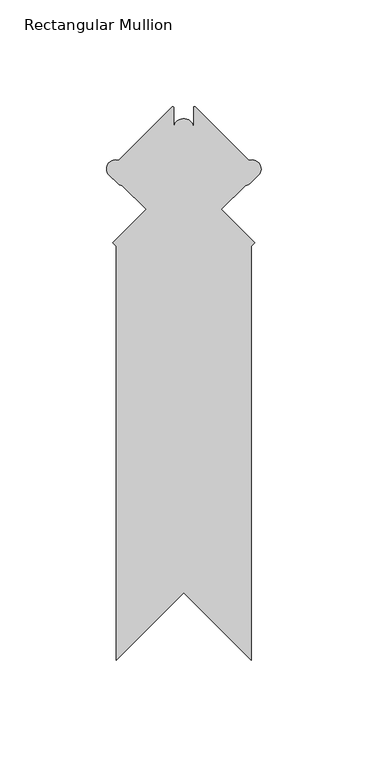
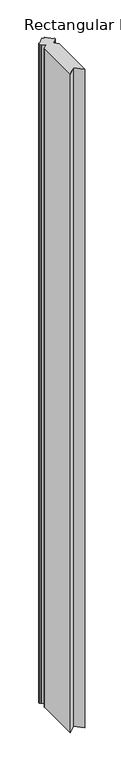
"""IFC4 building model written with IfcOpenShell, lengths in millimetres: member geometry, Rectangular Mullion."""

from ifc_helpers import new_model, si_unit, point, frame, frame_2d, origin, place, context, project, spatial, polyline, circle_curve, trimmed, segment, composite_curve, outline, extrude, source, transform, mapped, element, save


def rectangular_mullion_bcff4df4(model_context):
    return source(origin(), model_context, "Body", "SweptSolid", [
        extrude(outline(composite_curve([segment(polyline([(-68.018975, -94.2668695), (-68.018975, 100.065873), (-69.6354211, 101.6823191), (-53.9199729, 117.3977673), (-65.154897, 128.6326913)]), True, "CONTINUOUS"), segment(trimmed(circle_curve(frame_2d((-64.739074, 132.8417187)), 4.2295178), [point((-65.154897, 128.6326913))], [point((-67.1372768, 129.3578353))], False, "CARTESIAN"), True, "CONTINUOUS"), segment(polyline([(-67.1372768, 129.3578353), (-71.7923158, 134.0128743)]), True, "CONTINUOUS"), segment(trimmed(circle_curve(frame_2d((-68.3084323, 136.411077)), 4.2295178), [point((-71.7923158, 134.0128743))], [point((-66.8555427, 140.3832216))], False, "CARTESIAN"), True, "CONTINUOUS"), segment(polyline([(-66.8555427, 140.3832216), (-41.6818827, 165.5568816)]), True, "CONTINUOUS"), segment(trimmed(circle_curve(frame_2d((-41.412475, 165.2874739)), 0.381), [point((-41.6818827, 165.5568816))], [point((-41.031475, 165.2874739))], False, "CARTESIAN"), True, "CONTINUOUS"), segment(polyline([(-41.031475, 165.2874739), (-41.031475, 155.8165932)]), True, "CONTINUOUS"), segment(trimmed(circle_curve(frame_2d((-36.3047631, 155.2644752)), 4.7588485), [point((-41.031475, 155.8165932))], [point((-31.5560844, 155.5754248))], False, "CARTESIAN"), True, "CONTINUOUS"), segment(polyline([(-31.5560844, 155.5754248), (-31.5560844, 165.3370833)]), True, "CONTINUOUS"), segment(trimmed(circle_curve(frame_2d((-31.1750844, 165.3370833)), 0.381), [point((-31.5560844, 165.3370833))], [point((-30.9056767, 165.606491))], False, "CARTESIAN"), True, "CONTINUOUS"), segment(polyline([(-30.9056767, 165.606491), (-5.6824073, 140.3832216)]), True, "CONTINUOUS"), segment(trimmed(circle_curve(frame_2d((-4.2295178, 136.411077)), 4.2295178), [point((-5.6824073, 140.3832216))], [point((-0.7456343, 134.0128743))], False, "CARTESIAN"), True, "CONTINUOUS"), segment(polyline([(-0.7456343, 134.0128743), (-5.4006733, 129.3578353)]), True, "CONTINUOUS"), segment(trimmed(circle_curve(frame_2d((-7.7988761, 132.8417187)), 4.2295178), [point((-5.4006733, 129.3578353))], [point((-7.3830531, 128.6326913))], False, "CARTESIAN"), True, "CONTINUOUS"), segment(polyline([(-7.3830531, 128.6326913), (-18.6179771, 117.3977673), (-2.9025289, 101.6823191), (-4.518975, 100.065873), (-4.518975, -94.2668693), (-36.2689749, -62.5168694), (-68.018975, -94.2668695)]), True, "CONTINUOUS")], self_intersect=False)), frame((0.0, 0.0, -3048.0), z_axis=(0.0, 0.0, 1.0), x_axis=(1.0, 0.0, 0.0)), (0.0, 0.0, 1.0), 3048.0),
    ])


if __name__ == "__main__":
    model = new_model("IFC4")
    model_context = context("Model", 3, world=origin())
    ifc_project = project(units=[si_unit("LENGTHUNIT", "METRE", prefix="MILLI")], contexts=[model_context])
    site = spatial("IfcSite", under=ifc_project)
    building = spatial("IfcBuilding", under=site)
    placement = place(None, origin())
    rectangular_mullion_shape = rectangular_mullion_bcff4df4(model_context)
    element("IfcMember", 1, ObjectType="Rectangular Mullion", at=placement, inside=building, context=model_context, shape_type="MappedRepresentation", body=[
        mapped(rectangular_mullion_shape, transform((0.0, 0.0, 0.0), x_axis=(1.0, 0.0, 0.0), y_axis=(0.0, 1.0, 0.0), z_axis=(0.0, 0.0, 1.0))),
    ])
    save(model, "model.ifc")
